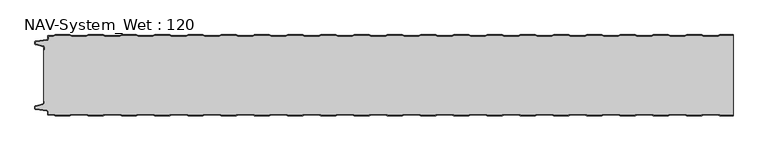
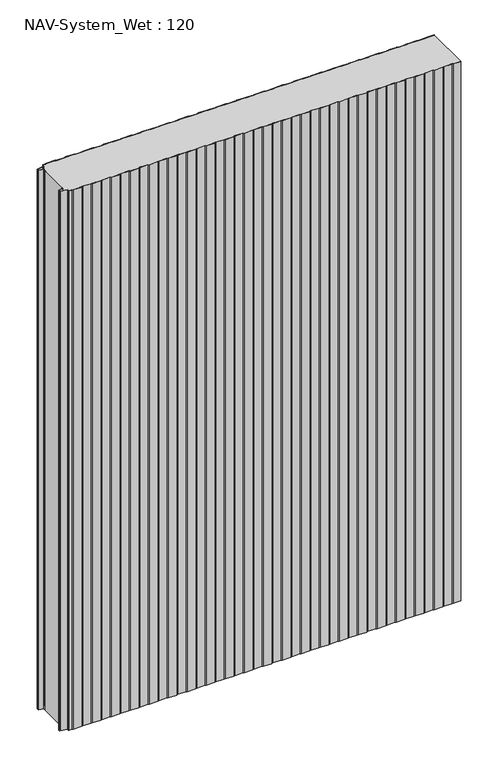
"""IFC4 building model written with IfcOpenShell, lengths in millimetres: plate geometry, NAV-System_Wet : 120."""

from ifc_helpers import new_model, si_unit, point, frame_2d, origin, origin_with_axes, place, context, project, spatial, polyline, circle_curve, trimmed, segment, composite_curve, outline, extrude, source, transform, mapped, element, save


def nav_system_wet_120_27c07906(model_context):
    return source(origin(), model_context, "Body", "SweptSolid", [
        extrude(outline(composite_curve([segment(polyline([(480.3684327, -0.8), (477.3684327, 0.2), (455.3684327, 0.2), (452.3684327, -0.8), (430.3684327, -0.8), (427.3684327, 0.2), (405.3684327, 0.2), (402.3684327, -0.8), (380.3684327, -0.8), (377.3684327, 0.2), (355.3684327, 0.2), (352.3684327, -0.8), (330.3684327, -0.8), (327.3684327, 0.2), (305.3684327, 0.2), (302.3684327, -0.8), (280.3684327, -0.8), (277.3684327, 0.2), (255.3684327, 0.2), (252.3684327, -0.8), (230.3684327, -0.8), (227.3684327, 0.2), (205.3684327, 0.2), (202.3684327, -0.8), (180.3684327, -0.8), (177.3684327, 0.2), (155.3684327, 0.2), (152.3684327, -0.8), (130.3684327, -0.8), (127.3684327, 0.2), (105.3684327, 0.2), (102.3684327, -0.8), (80.3684327, -0.8), (77.3684327, 0.2), (55.3684327, 0.2), (52.3684327, -0.8), (30.3684327, -0.8), (27.3684327, 0.2), (5.3684327, 0.2), (2.3684327, -0.8), (-19.6315673, -0.8), (-22.6315673, 0.2), (-44.6315673, 0.2), (-47.6315673, -0.8), (-69.6315673, -0.8), (-72.6315673, 0.2), (-94.6315673, 0.2), (-97.6315673, -0.8), (-119.6315673, -0.8), (-122.6315673, 0.2), (-144.6315673, 0.2), (-147.6315673, -0.8), (-169.6315673, -0.8), (-172.6315673, 0.2), (-194.6315673, 0.2), (-197.6315673, -0.8), (-219.6315673, -0.8), (-222.6315673, 0.2), (-244.6315673, 0.2), (-247.6315673, -0.8), (-269.6315673, -0.8), (-272.6315673, 0.2), (-294.6315673, 0.2), (-297.6315673, -0.8), (-319.6315673, -0.8), (-322.6315673, 0.2), (-344.6315673, 0.2), (-347.6315673, -0.8), (-369.6315673, -0.8), (-372.6315673, 0.2), (-394.6315673, 0.2), (-397.6315673, -0.8), (-419.6315673, -0.8), (-422.6315673, 0.2), (-444.6315673, 0.2), (-447.6315673, -0.8), (-469.6315673, -0.8), (-472.6315673, 0.2), (-494.6315673, 0.2), (-497.6315673, -0.8), (-504.7, -0.8)]), True, "CONTINUOUS"), segment(trimmed(circle_curve(frame_2d((-504.7, -1.3)), 0.5), [point((-504.7, -0.8))], [point((-505.2, -1.3))], True, "CARTESIAN"), True, "CONTINUOUS"), segment(polyline([(-505.2, -1.3), (-505.2, -5.3964683)]), True, "CONTINUOUS"), segment(trimmed(circle_curve(frame_2d((-506.7, -5.3964683)), 1.5), [point((-505.2, -5.3964683))], [point((-506.4911207, -6.8818536))], False, "CARTESIAN"), True, "CONTINUOUS"), segment(polyline([(-506.4911207, -6.8818536), (-523.4352183, -9.2645825)]), True, "CONTINUOUS"), segment(trimmed(circle_curve(frame_2d((-523.3114909, -10.1444347)), 0.8885091), [point((-523.4352183, -9.2645825))], [point((-524.2, -10.1444347))], True, "CARTESIAN"), True, "CONTINUOUS"), segment(polyline([(-524.2, -10.1444347), (-524.2, -12.46995)]), True, "CONTINUOUS"), segment(trimmed(circle_curve(frame_2d((-523.6, -12.46995)), 0.6), [point((-524.2, -12.46995))], [point((-523.7552914, -13.0495055))], True, "CARTESIAN"), True, "CONTINUOUS"), segment(polyline([(-523.7552914, -13.0495055), (-512.3785632, -16.0978907)]), True, "CONTINUOUS"), segment(trimmed(circle_curve(frame_2d((-512.7667917, -17.5467794)), 1.5), [point((-512.3785632, -16.0978907))], [point((-511.2667917, -17.5467794))], False, "CARTESIAN"), True, "CONTINUOUS"), segment(polyline([(-511.2667917, -17.5467794), (-511.2667917, -21.0096505), (-512.0667917, -21.0096505), (-512.0667917, -17.5467794)]), True, "CONTINUOUS"), segment(trimmed(circle_curve(frame_2d((-512.7667917, -17.5467794)), 0.7), [point((-512.0667917, -17.5467794))], [point((-512.5856184, -16.8706313))], True, "CARTESIAN"), True, "CONTINUOUS"), segment(polyline([(-512.5856184, -16.8706313), (-524.0364648, -13.8023863)]), True, "CONTINUOUS"), segment(trimmed(circle_curve(frame_2d((-523.7, -12.5466827)), 1.3), [point((-524.0364648, -13.8023863))], [point((-525.0, -12.5466827))], False, "CARTESIAN"), True, "CONTINUOUS"), segment(polyline([(-525.0, -12.5466827), (-525.0, -9.8067363)]), True, "CONTINUOUS"), segment(trimmed(circle_curve(frame_2d((-523.7, -9.8067363)), 1.3), [point((-525.0, -9.8067363))], [point((-523.8810287, -8.5194024))], False, "CARTESIAN"), True, "CONTINUOUS"), segment(polyline([(-523.8810287, -8.5194024), (-506.602523, -6.0896481)]), True, "CONTINUOUS"), segment(trimmed(circle_curve(frame_2d((-506.7, -5.3964683)), 0.7), [point((-506.602523, -6.0896481))], [point((-506.0, -5.3964683))], True, "CARTESIAN"), True, "CONTINUOUS"), segment(polyline([(-506.0, -5.3964683), (-506.0, -1.3)]), True, "CONTINUOUS"), segment(trimmed(circle_curve(frame_2d((-504.7, -1.3)), 1.3), [point((-506.0, -1.3))], [point((-504.7, 0.0))], False, "CARTESIAN"), True, "CONTINUOUS"), segment(polyline([(-504.7, 0.0), (-497.7613895, 0.0), (-494.7613895, 1.0), (-472.5017452, 1.0), (-469.5017452, 0.0), (-447.7613895, 0.0), (-444.7613895, 1.0), (-422.5017452, 1.0), (-419.5017452, 0.0), (-397.7613895, 0.0), (-394.7613895, 1.0), (-372.5017452, 1.0), (-369.5017452, 0.0), (-347.7613895, 0.0), (-344.7613895, 1.0), (-322.5017452, 1.0), (-319.5017452, 0.0), (-297.7613895, 0.0), (-294.7613895, 1.0), (-272.5017452, 1.0), (-269.5017452, 0.0), (-247.7613895, 0.0), (-244.7613895, 1.0), (-222.5017452, 1.0), (-219.5017452, 0.0), (-197.7613895, 0.0), (-194.7613895, 1.0), (-172.5017452, 1.0), (-169.5017452, 0.0), (-147.7613895, 0.0), (-144.7613895, 1.0), (-122.5017452, 1.0), (-119.5017452, 0.0), (-97.7613895, 0.0), (-94.7613895, 1.0), (-72.5017452, 1.0), (-69.5017452, 0.0), (-47.7613895, 0.0), (-44.7613895, 1.0), (-22.5017452, 1.0), (-19.5017452, 0.0), (2.2386105, 0.0), (5.2386105, 1.0), (27.4982548, 1.0), (30.4982548, 0.0), (52.2386105, 0.0), (55.2386105, 1.0), (77.4982548, 1.0), (80.4982548, 0.0), (102.2386105, 0.0), (105.2386105, 1.0), (127.4982548, 1.0), (130.4982548, 0.0), (152.2386105, 0.0), (155.2386105, 1.0), (177.4982548, 1.0), (180.4982548, 0.0), (202.2386105, 0.0), (205.2386105, 1.0), (227.4982548, 1.0), (230.4982548, 0.0), (252.2386105, 0.0), (255.2386105, 1.0), (277.4982548, 1.0), (280.4982548, 0.0), (302.2386105, 0.0), (305.2386105, 1.0), (327.4982548, 1.0), (330.4982548, 0.0), (352.2386105, 0.0), (355.2386105, 1.0), (377.4982548, 1.0), (380.4982548, 0.0), (402.2386105, 0.0), (405.2386105, 1.0), (427.4982548, 1.0), (430.4982548, 0.0), (452.2386105, 0.0), (455.2386105, 1.0), (477.4982548, 1.0), (480.4982548, 0.0), (502.2386105, 0.0), (505.2386105, 1.0), (525.0, 1.0), (525.0, 0.2), (505.3684327, 0.2), (502.3684327, -0.8), (480.3684327, -0.8)]), True, "CONTINUOUS")], self_intersect=False)), origin_with_axes(), (0.0, 0.0, 1.0), 1500.0),
        extrude(outline(composite_curve([segment(polyline([(480.3684327, -0.8), (502.3684327, -0.8), (505.3684327, 0.2), (525.0, 0.2), (525.0, -120.2), (505.3684327, -120.2), (502.3684327, -119.2), (480.3684327, -119.2), (477.3684327, -120.2), (455.3684327, -120.2), (452.3684327, -119.2), (430.3684327, -119.2), (427.3684327, -120.2), (405.3684327, -120.2), (402.3684327, -119.2), (380.3684327, -119.2), (377.3684327, -120.2), (355.3684327, -120.2), (352.3684327, -119.2), (330.3684327, -119.2), (327.3684327, -120.2), (305.3684327, -120.2), (302.3684327, -119.2), (280.3684327, -119.2), (277.3684327, -120.2), (255.3684327, -120.2), (252.3684327, -119.2), (230.3684327, -119.2), (227.3684327, -120.2), (205.3684327, -120.2), (202.3684327, -119.2), (180.3684327, -119.2), (177.3684327, -120.2), (155.3684327, -120.2), (152.3684327, -119.2), (130.3684327, -119.2), (127.3684327, -120.2), (105.3684327, -120.2), (102.3684327, -119.2), (80.3684327, -119.2), (77.3684327, -120.2), (55.3684327, -120.2), (52.3684327, -119.2), (30.3684327, -119.2), (27.3684327, -120.2), (5.3684327, -120.2), (2.3684327, -119.2), (-19.6315673, -119.2), (-22.6315673, -120.2), (-44.6315673, -120.2), (-47.6315673, -119.2), (-69.6315673, -119.2), (-72.6315673, -120.2), (-94.6315673, -120.2), (-97.6315673, -119.2), (-119.6315673, -119.2), (-122.6315673, -120.2), (-144.6315673, -120.2), (-147.6315673, -119.2), (-169.6315673, -119.2), (-172.6315673, -120.2), (-194.6315673, -120.2), (-197.6315673, -119.2), (-219.6315673, -119.2), (-222.6315673, -120.2), (-244.6315673, -120.2), (-247.6315673, -119.2), (-269.6315673, -119.2), (-272.6315673, -120.2), (-294.6315673, -120.2), (-297.6315673, -119.2), (-319.6315673, -119.2), (-322.6315673, -120.2), (-344.6315673, -120.2), (-347.6315673, -119.2), (-369.6315673, -119.2), (-372.6315673, -120.2), (-394.6315673, -120.2), (-397.6315673, -119.2), (-419.6315673, -119.2), (-422.6315673, -120.2), (-444.6315673, -120.2), (-447.6315673, -119.2), (-469.6315673, -119.2), (-472.6315673, -120.2), (-494.6315673, -120.2), (-497.6315673, -119.2), (-504.7, -119.2)]), True, "CONTINUOUS"), segment(trimmed(circle_curve(frame_2d((-504.7, -118.7)), 0.5), [point((-504.7, -119.2))], [point((-505.2, -118.7))], False, "CARTESIAN"), True, "CONTINUOUS"), segment(polyline([(-505.2, -118.7), (-505.2, -114.6035317)]), True, "CONTINUOUS"), segment(trimmed(circle_curve(frame_2d((-506.7, -114.6035317)), 1.5), [point((-505.2, -114.6035317))], [point((-506.4911207, -113.1181464))], True, "CARTESIAN"), True, "CONTINUOUS"), segment(polyline([(-506.4911207, -113.1181464), (-523.4352183, -110.7354175)]), True, "CONTINUOUS"), segment(trimmed(circle_curve(frame_2d((-523.3114909, -109.8555653)), 0.8885091), [point((-523.4352183, -110.7354175))], [point((-524.2, -109.8555653))], False, "CARTESIAN"), True, "CONTINUOUS"), segment(polyline([(-524.2, -109.8555653), (-524.2, -107.53005)]), True, "CONTINUOUS"), segment(trimmed(circle_curve(frame_2d((-523.6, -107.53005)), 0.6), [point((-524.2, -107.53005))], [point((-523.7552914, -106.9504945))], False, "CARTESIAN"), True, "CONTINUOUS"), segment(polyline([(-523.7552914, -106.9504945), (-512.3785632, -103.9021093)]), True, "CONTINUOUS"), segment(trimmed(circle_curve(frame_2d((-512.7667917, -102.4532206)), 1.5), [point((-512.3785632, -103.9021093))], [point((-511.2667917, -102.4532206))], True, "CARTESIAN"), True, "CONTINUOUS"), segment(polyline([(-511.2667917, -102.4532206), (-511.2667917, -98.9903495), (-512.0667917, -98.9903495), (-512.0667917, -21.0096505), (-511.2667917, -21.0096505), (-511.2667917, -17.5467794)]), True, "CONTINUOUS"), segment(trimmed(circle_curve(frame_2d((-512.7667917, -17.5467794)), 1.5), [point((-511.2667917, -17.5467794))], [point((-512.3785632, -16.0978907))], True, "CARTESIAN"), True, "CONTINUOUS"), segment(polyline([(-512.3785632, -16.0978907), (-523.7552914, -13.0495055)]), True, "CONTINUOUS"), segment(trimmed(circle_curve(frame_2d((-523.6, -12.46995)), 0.6), [point((-523.7552914, -13.0495055))], [point((-524.2, -12.46995))], False, "CARTESIAN"), True, "CONTINUOUS"), segment(polyline([(-524.2, -12.46995), (-524.2, -10.1444347)]), True, "CONTINUOUS"), segment(trimmed(circle_curve(frame_2d((-523.3114909, -10.1444347)), 0.8885091), [point((-524.2, -10.1444347))], [point((-523.4352183, -9.2645825))], False, "CARTESIAN"), True, "CONTINUOUS"), segment(polyline([(-523.4352183, -9.2645825), (-506.4911207, -6.8818536)]), True, "CONTINUOUS"), segment(trimmed(circle_curve(frame_2d((-506.7, -5.3964683)), 1.5), [point((-506.4911207, -6.8818536))], [point((-505.2, -5.3964683))], True, "CARTESIAN"), True, "CONTINUOUS"), segment(polyline([(-505.2, -5.3964683), (-505.2, -1.3)]), True, "CONTINUOUS"), segment(trimmed(circle_curve(frame_2d((-504.7, -1.3)), 0.5), [point((-505.2, -1.3))], [point((-504.7, -0.8))], False, "CARTESIAN"), True, "CONTINUOUS"), segment(polyline([(-504.7, -0.8), (-497.6315673, -0.8), (-494.6315673, 0.2), (-472.6315673, 0.2), (-469.6315673, -0.8), (-447.6315673, -0.8), (-444.6315673, 0.2), (-422.6315673, 0.2), (-419.6315673, -0.8), (-397.6315673, -0.8), (-394.6315673, 0.2), (-372.6315673, 0.2), (-369.6315673, -0.8), (-347.6315673, -0.8), (-344.6315673, 0.2), (-322.6315673, 0.2), (-319.6315673, -0.8), (-297.6315673, -0.8), (-294.6315673, 0.2), (-272.6315673, 0.2), (-269.6315673, -0.8), (-247.6315673, -0.8), (-244.6315673, 0.2), (-222.6315673, 0.2), (-219.6315673, -0.8), (-197.6315673, -0.8), (-194.6315673, 0.2), (-172.6315673, 0.2), (-169.6315673, -0.8), (-147.6315673, -0.8), (-144.6315673, 0.2), (-122.6315673, 0.2), (-119.6315673, -0.8), (-97.6315673, -0.8), (-94.6315673, 0.2), (-72.6315673, 0.2), (-69.6315673, -0.8), (-47.6315673, -0.8), (-44.6315673, 0.2), (-22.6315673, 0.2), (-19.6315673, -0.8), (2.3684327, -0.8), (5.3684327, 0.2), (27.3684327, 0.2), (30.3684327, -0.8), (52.3684327, -0.8), (55.3684327, 0.2), (77.3684327, 0.2), (80.3684327, -0.8), (102.3684327, -0.8), (105.3684327, 0.2), (127.3684327, 0.2), (130.3684327, -0.8), (152.3684327, -0.8), (155.3684327, 0.2), (177.3684327, 0.2), (180.3684327, -0.8), (202.3684327, -0.8), (205.3684327, 0.2), (227.3684327, 0.2), (230.3684327, -0.8), (252.3684327, -0.8), (255.3684327, 0.2), (277.3684327, 0.2), (280.3684327, -0.8), (302.3684327, -0.8), (305.3684327, 0.2), (327.3684327, 0.2), (330.3684327, -0.8), (352.3684327, -0.8), (355.3684327, 0.2), (377.3684327, 0.2), (380.3684327, -0.8), (402.3684327, -0.8), (405.3684327, 0.2), (427.3684327, 0.2), (430.3684327, -0.8), (452.3684327, -0.8), (455.3684327, 0.2), (477.3684327, 0.2), (480.3684327, -0.8)]), True, "CONTINUOUS")], self_intersect=False)), origin_with_axes(), (0.0, 0.0, 1.0), 1500.0),
        extrude(outline(composite_curve([segment(polyline([(480.3684327, -119.2), (502.3684327, -119.2), (505.3684327, -120.2), (525.0, -120.2), (525.0, -121.0), (505.2386105, -121.0), (502.2386105, -120.0), (480.4982548, -120.0), (477.4982548, -121.0), (455.2386105, -121.0), (452.2386105, -120.0), (430.4982548, -120.0), (427.4982548, -121.0), (405.2386105, -121.0), (402.2386105, -120.0), (380.4982548, -120.0), (377.4982548, -121.0), (355.2386105, -121.0), (352.2386105, -120.0), (330.4982548, -120.0), (327.4982548, -121.0), (305.2386105, -121.0), (302.2386105, -120.0), (280.4982548, -120.0), (277.4982548, -121.0), (255.2386105, -121.0), (252.2386105, -120.0), (230.4982548, -120.0), (227.4982548, -121.0), (205.2386105, -121.0), (202.2386105, -120.0), (180.4982548, -120.0), (177.4982548, -121.0), (155.2386105, -121.0), (152.2386105, -120.0), (130.4982548, -120.0), (127.4982548, -121.0), (105.2386105, -121.0), (102.2386105, -120.0), (80.4982548, -120.0), (77.4982548, -121.0), (55.2386105, -121.0), (52.2386105, -120.0), (30.4982548, -120.0), (27.4982548, -121.0), (5.2386105, -121.0), (2.2386105, -120.0), (-19.5017452, -120.0), (-22.5017452, -121.0), (-44.7613895, -121.0), (-47.7613895, -120.0), (-69.5017452, -120.0), (-72.5017452, -121.0), (-94.7613895, -121.0), (-97.7613895, -120.0), (-119.5017452, -120.0), (-122.5017452, -121.0), (-144.7613895, -121.0), (-147.7613895, -120.0), (-169.5017452, -120.0), (-172.5017452, -121.0), (-194.7613895, -121.0), (-197.7613895, -120.0), (-219.5017452, -120.0), (-222.5017452, -121.0), (-244.7613895, -121.0), (-247.7613895, -120.0), (-269.5017452, -120.0), (-272.5017452, -121.0), (-294.7613895, -121.0), (-297.7613895, -120.0), (-319.5017452, -120.0), (-322.5017452, -121.0), (-344.7613895, -121.0), (-347.7613895, -120.0), (-369.5017452, -120.0), (-372.5017452, -121.0), (-394.7613895, -121.0), (-397.7613895, -120.0), (-419.5017452, -120.0), (-422.5017452, -121.0), (-444.7613895, -121.0), (-447.7613895, -120.0), (-469.5017452, -120.0), (-472.5017452, -121.0), (-494.7613895, -121.0), (-497.7613895, -120.0), (-504.7, -120.0)]), True, "CONTINUOUS"), segment(trimmed(circle_curve(frame_2d((-504.7, -118.7)), 1.3), [point((-504.7, -120.0))], [point((-506.0, -118.7))], False, "CARTESIAN"), True, "CONTINUOUS"), segment(polyline([(-506.0, -118.7), (-506.0, -114.6035317)]), True, "CONTINUOUS"), segment(trimmed(circle_curve(frame_2d((-506.7, -114.6035317)), 0.7), [point((-506.0, -114.6035317))], [point((-506.602523, -113.9103519))], True, "CARTESIAN"), True, "CONTINUOUS"), segment(polyline([(-506.602523, -113.9103519), (-523.8810287, -111.4805976)]), True, "CONTINUOUS"), segment(trimmed(circle_curve(frame_2d((-523.7, -110.1932637)), 1.3), [point((-523.8810287, -111.4805976))], [point((-525.0, -110.1932637))], False, "CARTESIAN"), True, "CONTINUOUS"), segment(polyline([(-525.0, -110.1932637), (-525.0, -107.4533173)]), True, "CONTINUOUS"), segment(trimmed(circle_curve(frame_2d((-523.7, -107.4533173)), 1.3), [point((-525.0, -107.4533173))], [point((-524.0364648, -106.1976137))], False, "CARTESIAN"), True, "CONTINUOUS"), segment(polyline([(-524.0364648, -106.1976137), (-512.5856184, -103.1293687)]), True, "CONTINUOUS"), segment(trimmed(circle_curve(frame_2d((-512.7667917, -102.4532206)), 0.7), [point((-512.5856184, -103.1293687))], [point((-512.0667917, -102.4532206))], True, "CARTESIAN"), True, "CONTINUOUS"), segment(polyline([(-512.0667917, -102.4532206), (-512.0667917, -98.9903495), (-511.2667917, -98.9903495), (-511.2667917, -102.4532206)]), True, "CONTINUOUS"), segment(trimmed(circle_curve(frame_2d((-512.7667917, -102.4532206)), 1.5), [point((-511.2667917, -102.4532206))], [point((-512.3785632, -103.9021093))], False, "CARTESIAN"), True, "CONTINUOUS"), segment(polyline([(-512.3785632, -103.9021093), (-523.7552914, -106.9504945)]), True, "CONTINUOUS"), segment(trimmed(circle_curve(frame_2d((-523.6, -107.53005)), 0.6), [point((-523.7552914, -106.9504945))], [point((-524.2, -107.53005))], True, "CARTESIAN"), True, "CONTINUOUS"), segment(polyline([(-524.2, -107.53005), (-524.2, -109.8555653)]), True, "CONTINUOUS"), segment(trimmed(circle_curve(frame_2d((-523.3114909, -109.8555653)), 0.8885091), [point((-524.2, -109.8555653))], [point((-523.4352183, -110.7354175))], True, "CARTESIAN"), True, "CONTINUOUS"), segment(polyline([(-523.4352183, -110.7354175), (-506.4911207, -113.1181464)]), True, "CONTINUOUS"), segment(trimmed(circle_curve(frame_2d((-506.7, -114.6035317)), 1.5), [point((-506.4911207, -113.1181464))], [point((-505.2, -114.6035317))], False, "CARTESIAN"), True, "CONTINUOUS"), segment(polyline([(-505.2, -114.6035317), (-505.2, -118.7)]), True, "CONTINUOUS"), segment(trimmed(circle_curve(frame_2d((-504.7, -118.7)), 0.5), [point((-505.2, -118.7))], [point((-504.7, -119.2))], True, "CARTESIAN"), True, "CONTINUOUS"), segment(polyline([(-504.7, -119.2), (-497.6315673, -119.2), (-494.6315673, -120.2), (-472.6315673, -120.2), (-469.6315673, -119.2), (-447.6315673, -119.2), (-444.6315673, -120.2), (-422.6315673, -120.2), (-419.6315673, -119.2), (-397.6315673, -119.2), (-394.6315673, -120.2), (-372.6315673, -120.2), (-369.6315673, -119.2), (-347.6315673, -119.2), (-344.6315673, -120.2), (-322.6315673, -120.2), (-319.6315673, -119.2), (-297.6315673, -119.2), (-294.6315673, -120.2), (-272.6315673, -120.2), (-269.6315673, -119.2), (-247.6315673, -119.2), (-244.6315673, -120.2), (-222.6315673, -120.2), (-219.6315673, -119.2), (-197.6315673, -119.2), (-194.6315673, -120.2), (-172.6315673, -120.2), (-169.6315673, -119.2), (-147.6315673, -119.2), (-144.6315673, -120.2), (-122.6315673, -120.2), (-119.6315673, -119.2), (-97.6315673, -119.2), (-94.6315673, -120.2), (-72.6315673, -120.2), (-69.6315673, -119.2), (-47.6315673, -119.2), (-44.6315673, -120.2), (-22.6315673, -120.2), (-19.6315673, -119.2), (2.3684327, -119.2), (5.3684327, -120.2), (27.3684327, -120.2), (30.3684327, -119.2), (52.3684327, -119.2), (55.3684327, -120.2), (77.3684327, -120.2), (80.3684327, -119.2), (102.3684327, -119.2), (105.3684327, -120.2), (127.3684327, -120.2), (130.3684327, -119.2), (152.3684327, -119.2), (155.3684327, -120.2), (177.3684327, -120.2), (180.3684327, -119.2), (202.3684327, -119.2), (205.3684327, -120.2), (227.3684327, -120.2), (230.3684327, -119.2), (252.3684327, -119.2), (255.3684327, -120.2), (277.3684327, -120.2), (280.3684327, -119.2), (302.3684327, -119.2), (305.3684327, -120.2), (327.3684327, -120.2), (330.3684327, -119.2), (352.3684327, -119.2), (355.3684327, -120.2), (377.3684327, -120.2), (380.3684327, -119.2), (402.3684327, -119.2), (405.3684327, -120.2), (427.3684327, -120.2), (430.3684327, -119.2), (452.3684327, -119.2), (455.3684327, -120.2), (477.3684327, -120.2), (480.3684327, -119.2)]), True, "CONTINUOUS")], self_intersect=False)), origin_with_axes(), (0.0, 0.0, 1.0), 1500.0),
    ])


if __name__ == "__main__":
    model = new_model("IFC4")
    model_context = context("Model", 3, world=origin())
    ifc_project = project(units=[si_unit("LENGTHUNIT", "METRE", prefix="MILLI")], contexts=[model_context])
    site = spatial("IfcSite", under=ifc_project)
    building = spatial("IfcBuilding", under=site)
    placement = place(None, origin())
    nav_system_wet_120_shape = nav_system_wet_120_27c07906(model_context)
    element("IfcPlate", 1, ObjectType="NAV-System_Wet : 120", at=placement, inside=building, context=model_context, shape_type="MappedRepresentation", body=[
        mapped(nav_system_wet_120_shape, transform((0.0, 0.0, 0.0), x_axis=(1.0, 0.0, 0.0), y_axis=(0.0, 1.0, 0.0), z_axis=(0.0, 0.0, 1.0))),
    ])
    save(model, "model.ifc")
